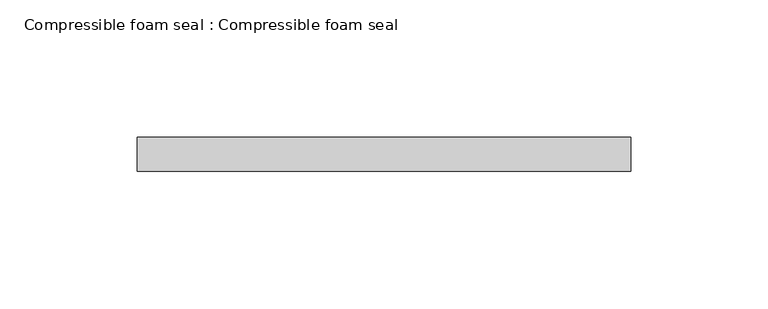
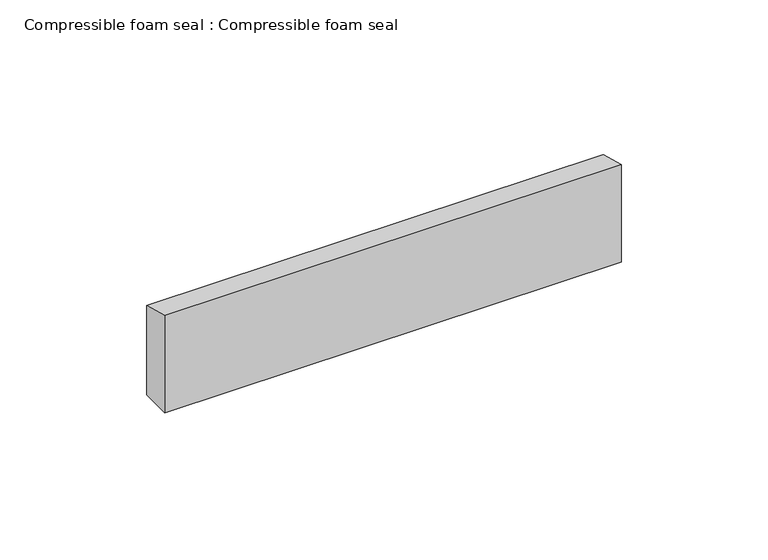
"""IFC4 building model written with IfcOpenShell, lengths in millimetres: proxy geometry, Compressible foam seal : Compressible foam seal."""

from ifc_helpers import new_model, si_unit, frame, origin, place, context, project, spatial, polyline, outline, extrude, source, transform, mapped, element, save


def compressible_foam_seal_compressible_foam_seal_e6ba9b4f(model_context):
    return source(origin(), model_context, "Body", "SweptSolid", [
        extrude(outline(polyline([(659.8333305, -343.5448265), (672.2344915, -346.8677076), (672.2344915, -384.0410003), (659.8333305, -384.0410003), (659.8333305, -343.5448265)])), frame((13512.8302563, 0.0, 0.0), z_axis=(1.0, 0.0, 0.0), x_axis=(0.0, 1.0, 0.0)), (0.0, 0.0, 1.0), 179.5239223),
    ])


if __name__ == "__main__":
    model = new_model("IFC4")
    model_context = context("Model", 3, world=origin())
    ifc_project = project(units=[si_unit("LENGTHUNIT", "METRE", prefix="MILLI")], contexts=[model_context])
    site = spatial("IfcSite", under=ifc_project)
    building = spatial("IfcBuilding", under=site)
    placement = place(None, origin())
    compressible_foam_seal_compressible_foam_seal_shape = compressible_foam_seal_compressible_foam_seal_e6ba9b4f(model_context)
    element("IfcBuildingElementProxy", 1, Name="Compressible foam seal : Compressible foam seal", ObjectType="Compressible foam seal : Compressible foam seal", at=placement, inside=building, context=model_context, shape_type="MappedRepresentation", body=[
        mapped(compressible_foam_seal_compressible_foam_seal_shape, transform((0.0, 0.0, 0.0), x_axis=(1.0, 0.0, 0.0), y_axis=(0.0, 1.0, 0.0), z_axis=(0.0, 0.0, 1.0))),
    ])
    save(model, "model.ifc")
